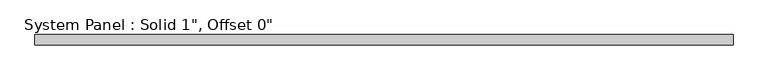
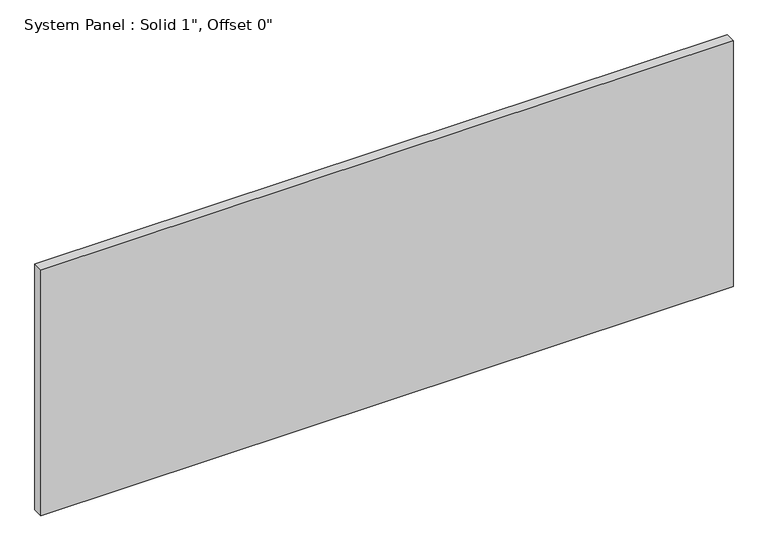
"""IFC4 building model written with IfcOpenShell, lengths in millimetres: plate geometry."""

from ifc_helpers import new_model, si_unit, origin, origin_with_axes, place, context, project, spatial, polyline, outline, extrude, source, transform, mapped, element, save


def plate_f9a97adf(model_context):
    return source(origin(), model_context, "Body", "SweptSolid", [
        extrude(outline(polyline([(858.3520386, -12.7), (-858.3520386, -12.7), (-858.3520386, 12.7), (858.3520386, 12.7), (858.3520386, -12.7)])), origin_with_axes(), (0.0, 0.0, 1.0), 645.1995022),
    ])


if __name__ == "__main__":
    model = new_model("IFC4")
    model_context = context("Model", 3, world=origin())
    ifc_project = project(units=[si_unit("LENGTHUNIT", "METRE", prefix="MILLI")], contexts=[model_context])
    site = spatial("IfcSite", under=ifc_project)
    building = spatial("IfcBuilding", under=site)
    placement = place(None, origin())
    plate_shape = plate_f9a97adf(model_context)
    element("IfcPlate", 1, ObjectType="System Panel : Solid 1\", Offset 0\"", at=placement, inside=building, context=model_context, shape_type="MappedRepresentation", body=[
        mapped(plate_shape, transform((0.0, 0.0, 0.0), x_axis=(1.0, 0.0, 0.0), y_axis=(0.0, 1.0, 0.0), z_axis=(0.0, 0.0, 1.0))),
    ])
    save(model, "model.ifc")
